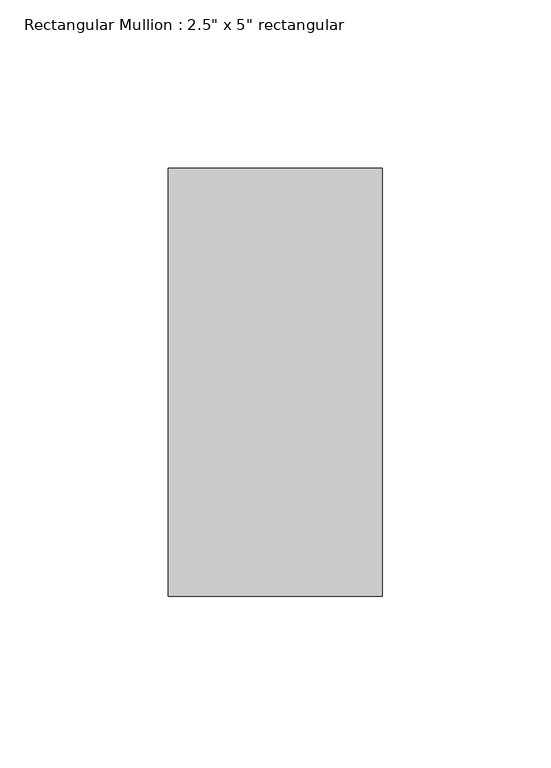
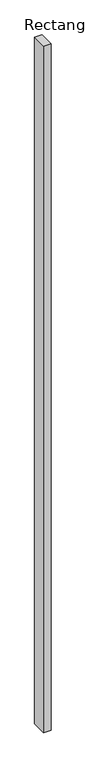
"""IFC4 building model written with IfcOpenShell, lengths in millimetres: member geometry."""

from ifc_helpers import new_model, si_unit, frame, origin, place, context, project, spatial, polyline, outline, extrude, source, transform, mapped, element, save


def member_8521bc13(model_context):
    return source(origin(), model_context, "Body", "SweptSolid", [
        extrude(outline(polyline([(31.75, 63.5), (31.75, -63.5), (-31.75, -63.5), (-31.75, 63.5), (31.75, 63.5)])), frame((0.0, 0.0, -6096.0), z_axis=(0.0, 0.0, 1.0), x_axis=(1.0, 0.0, 0.0)), (0.0, 0.0, 1.0), 6096.0),
    ])


if __name__ == "__main__":
    model = new_model("IFC4")
    model_context = context("Model", 3, world=origin())
    ifc_project = project(units=[si_unit("LENGTHUNIT", "METRE", prefix="MILLI")], contexts=[model_context])
    site = spatial("IfcSite", under=ifc_project)
    building = spatial("IfcBuilding", under=site)
    placement = place(None, origin())
    member_shape = member_8521bc13(model_context)
    element("IfcMember", 1, ObjectType="Rectangular Mullion : 2.5\" x 5\" rectangular", at=placement, inside=building, context=model_context, shape_type="MappedRepresentation", body=[
        mapped(member_shape, transform((0.0, 0.0, 0.0), x_axis=(1.0, 0.0, 0.0), y_axis=(0.0, 1.0, 0.0), z_axis=(0.0, 0.0, 1.0))),
    ])
    save(model, "model.ifc")
